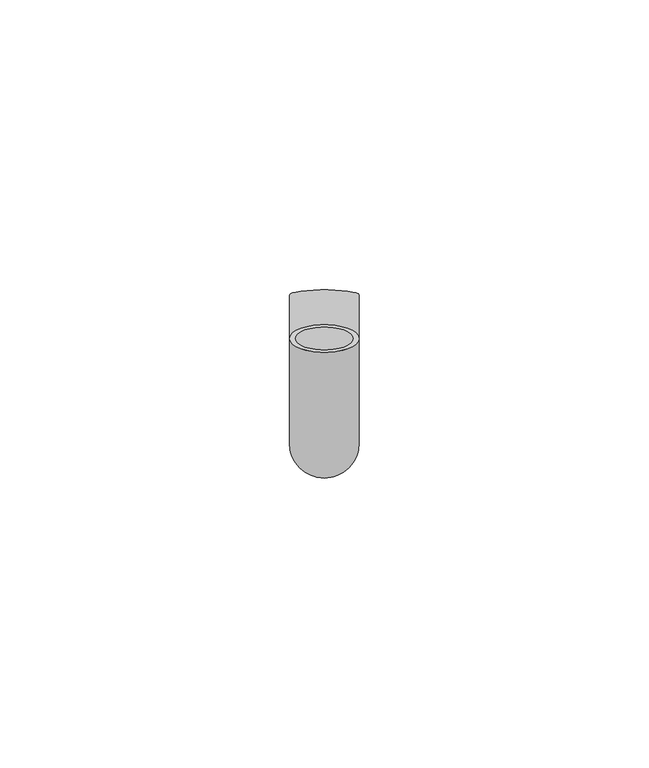
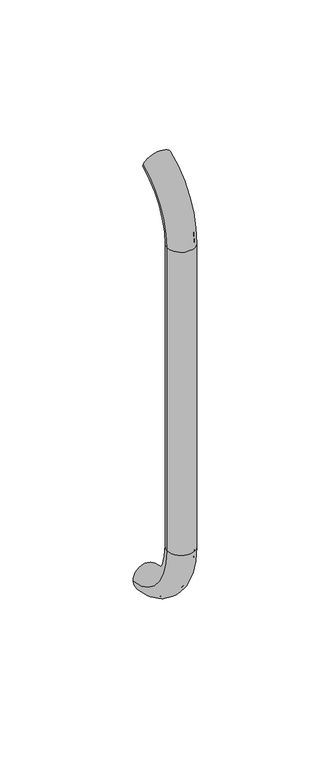
"""IFC4 building model written with IfcOpenShell, lengths in millimetres: beam geometry."""

import ifcopenshell
import ifcopenshell.guid

model = None  # the IFC model being written
_history = None  # IfcOwnerHistory: only IFC2X3 demands one
_inside = {}  # id of a spatial element -> (the spatial element, [elements in it])
_under = {}  # id of a project, library or spatial element -> (it, [spatial elements below it])
_declared = {}  # id of a project -> (the project, [libraries it declares])
_typed = {}  # id of a type object -> (the type object, [elements of that type])
_made_of = {}  # id of a material, layer set ... -> (it, [elements and type objects made of it])


def new_model(schema):
    """Start an empty IFC model of exactly this schema.

    Asked for "IFC4X3", IfcOpenShell would pick the latest addendum, in which some entities
    have other attributes; the version numbers below select the first issue.
    IFC2X3 requires an IfcOwnerHistory on every rooted entity: one is made here for all.
    """
    global model, _history
    if schema == "IFC4X3":
        model = ifcopenshell.file(schema_version=(4, 3, 0, 0))
    else:
        model = ifcopenshell.file(schema=schema)
    _inside.clear()
    _under.clear()
    _declared.clear()
    _typed.clear()
    _made_of.clear()
    _history = None
    if model.schema == "IFC2X3":
        org = make("IfcOrganization", Name="unknown")
        user = make(
            "IfcPersonAndOrganization",
            ThePerson=make("IfcPerson", FamilyName="unknown"),
            TheOrganization=org,
        )
        app = make(
            "IfcApplication",
            ApplicationDeveloper=org,
            Version="unknown",
            ApplicationFullName="unknown",
            ApplicationIdentifier="unknown",
        )
        _history = make(
            "IfcOwnerHistory",
            OwningUser=user,
            OwningApplication=app,
            ChangeAction="ADDED",
            CreationDate=0,
        )
    return model


def make(cls, **values):
    """One entity of the class cls with the attributes given. An attribute that is None is left unset."""
    return model.create_entity(
        cls, **{name: value for name, value in values.items() if value is not None}
    )


def rooted(cls, **values):
    """An entity with a GlobalId (a new one), such as an element, a storey or a relation."""
    return make(cls, GlobalId=ifcopenshell.guid.new(), OwnerHistory=_history, **values)


def si_unit(unit_type, name, prefix=None):
    """IfcSIUnit, for example si_unit("LENGTHUNIT", "METRE", prefix="MILLI")."""
    return make("IfcSIUnit", UnitType=unit_type, Prefix=prefix, Name=name)


def assignment(units):
    """IfcUnitAssignment: the units of a project."""
    return None if units is None else make("IfcUnitAssignment", Units=units)


def point(xyz):
    """IfcCartesianPoint."""
    return None if xyz is None else make("IfcCartesianPoint", Coordinates=xyz)


def direction(xyz):
    """IfcDirection."""
    return None if xyz is None else make("IfcDirection", DirectionRatios=xyz)


def frame(location, z_axis=None, x_axis=None):
    """IfcAxis2Placement3D, a coordinate frame: its origin and axes. An axis left out is left unset."""
    return make(
        "IfcAxis2Placement3D",
        Location=point(location),
        Axis=direction(z_axis),
        RefDirection=direction(x_axis),
    )


def origin():
    """The frame at (0, 0, 0) with its axes left unset."""
    return frame((0.0, 0.0, 0.0))


def place(relative_to, where):
    """IfcLocalPlacement: puts the frame where relative to a parent placement (None: the world)."""
    return make(
        "IfcLocalPlacement", PlacementRelTo=relative_to, RelativePlacement=where
    )


def context(
    kind, dimensions, precision=None, world=None, true_north=None, identifier=None
):
    """IfcGeometricRepresentationContext, for example the 3D "Model" context."""
    return make(
        "IfcGeometricRepresentationContext",
        ContextIdentifier=identifier,
        ContextType=kind,
        CoordinateSpaceDimension=dimensions,
        Precision=precision,
        WorldCoordinateSystem=world,
        TrueNorth=true_north,
    )


def project(units=None, contexts=None):
    """IfcProject with its units and contexts."""
    return rooted(
        "IfcProject",
        Name="project",
        RepresentationContexts=contexts,
        UnitsInContext=assignment(units),
    )


def spatial(cls, under=None, at=None, **own):
    """A site, building, storey or space (cls), placed at a placement, below another one or the project."""
    s = rooted(cls, ObjectPlacement=at, **own)
    if under is not None:
        _under.setdefault(under.id(), (under, []))[1].append(s)
    return s


def polyline(points):
    """IfcPolyline through the points."""
    return make("IfcPolyline", Points=[point(p) for p in points])


def circle_curve(where, radius):
    """IfcCircle in the frame where."""
    return make("IfcCircle", Position=where, Radius=radius)


def ellipse_curve(where, semi_axis1, semi_axis2):
    """IfcEllipse in the frame where."""
    return make(
        "IfcEllipse", Position=where, SemiAxis1=semi_axis1, SemiAxis2=semi_axis2
    )


def trimmed(basis, trim1, trim2, sense, master):
    """IfcTrimmedCurve: the piece of a basis curve between two trims."""
    return make(
        "IfcTrimmedCurve",
        BasisCurve=basis,
        Trim1=trim1,
        Trim2=trim2,
        SenseAgreement=sense,
        MasterRepresentation=master,
    )


def shape(context_of_items, identifier, shape_type, items):
    """IfcShapeRepresentation: the items that make up one representation, for example the "Body"."""
    return make(
        "IfcShapeRepresentation",
        ContextOfItems=context_of_items,
        RepresentationIdentifier=identifier,
        RepresentationType=shape_type,
        Items=items,
    )


def source(mapping_origin, context_of_items, identifier, shape_type, items):
    """IfcRepresentationMap: a shape defined once, which mapped items show again and again."""
    return make(
        "IfcRepresentationMap",
        MappingOrigin=mapping_origin,
        MappedRepresentation=shape(context_of_items, identifier, shape_type, items),
    )


def transform(
    local_origin,
    x_axis=None,
    y_axis=None,
    z_axis=None,
    scale=None,
    scale2=None,
    scale3=None,
    uniform=True,
):
    """IfcCartesianTransformationOperator3D, or its non-uniform kind. x_axis, y_axis, z_axis: its Axis1, 2, 3."""
    if uniform:
        return make(
            "IfcCartesianTransformationOperator3D",
            Axis1=direction(x_axis),
            Axis2=direction(y_axis),
            LocalOrigin=point(local_origin),
            Scale=scale,
            Axis3=direction(z_axis),
        )
    return make(
        "IfcCartesianTransformationOperator3DnonUniform",
        Axis1=direction(x_axis),
        Axis2=direction(y_axis),
        LocalOrigin=point(local_origin),
        Scale=scale,
        Axis3=direction(z_axis),
        Scale2=scale2,
        Scale3=scale3,
    )


def mapped(mapping_source, mapping_target):
    """IfcMappedItem: shows the shape of a source again, moved by a transform."""
    return make(
        "IfcMappedItem", MappingSource=mapping_source, MappingTarget=mapping_target
    )


def made_of(thing, what):
    """Note that an element or type object is made of a material, layer set ...; save() writes the relation."""
    if what is not None:
        _made_of.setdefault(what.id(), (what, []))[1].append(thing)
    return thing


def element(
    cls,
    number,
    at=None,
    inside=None,
    cuts=None,
    type_object=None,
    material=None,
    context=None,
    identifier="Body",
    shape_type=None,
    held_by="IfcProductDefinitionShape",
    body=None,
    shapes=None,
    **own,
):
    """One element of the class cls, such as IfcWall. Its Tag is "e" and its number.

    at: its placement. inside: the storey or other place that contains it. cuts: it is an
    opening in that element (IfcRelVoidsElement). A single representation is given by context,
    identifier, shape_type and body (its items); several are given by shapes. held_by: the class
    of the entity that holds the representations. save() writes the other relations.
    """
    e = rooted(cls, Tag="e%d" % number, ObjectPlacement=at, **own)
    if body is not None:
        shapes = [shape(context, identifier, shape_type, body)]
    if shapes is not None:
        e.Representation = make(held_by, Representations=shapes)
    if inside is not None:
        _inside.setdefault(inside.id(), (inside, []))[1].append(e)
    if cuts is not None:
        rooted(
            "IfcRelVoidsElement", RelatingBuildingElement=cuts, RelatedOpeningElement=e
        )
    if type_object is not None:
        _typed.setdefault(type_object.id(), (type_object, []))[1].append(e)
    return made_of(e, material)


def aggregate(whole, parts):
    """IfcRelAggregates: a whole, such as a stair, and the parts it consists of."""
    return rooted("IfcRelAggregates", RelatingObject=whole, RelatedObjects=parts)


def save(model, path):
    """Write the relations noted so far, then the file.

    IfcRelAggregates (storeys below a building ...), IfcRelContainedInSpatialStructure (elements
    in a storey), IfcRelDefinesByType, IfcRelAssociatesMaterial and IfcRelDeclares: one each for
    every whole, place, type object, material and project.
    """
    for whole, parts in _under.values():
        aggregate(whole, parts)
    for where, things in _inside.values():
        rooted(
            "IfcRelContainedInSpatialStructure",
            RelatedElements=things,
            RelatingStructure=where,
        )
    for kind, things in _typed.values():
        rooted("IfcRelDefinesByType", RelatedObjects=things, RelatingType=kind)
    for what, things in _made_of.values():
        rooted("IfcRelAssociatesMaterial", RelatedObjects=things, RelatingMaterial=what)
    for by, libraries in _declared.values():
        rooted("IfcRelDeclares", RelatingContext=by, RelatedDefinitions=libraries)
    model.write(path)


def plane_surface(at):
    """IfcPlane: the flat surface through the origin of the frame at, square to its z axis."""
    return make("IfcPlane", Position=at)


def cylinder_surface(at, radius):
    """IfcCylindricalSurface: all points at the distance radius from the z axis of the frame at."""
    return make("IfcCylindricalSurface", Position=at, Radius=radius)


def revolved_surface(curve, axis_point, axis_direction):
    """IfcSurfaceOfRevolution: the curve turned about the line through axis_point along axis_direction."""
    return make(
        "IfcSurfaceOfRevolution",
        SweptCurve=make("IfcArbitraryOpenProfileDef", ProfileType="CURVE", Curve=curve),
        AxisPosition=make("IfcAxis1Placement", Location=point(axis_point), Axis=direction(axis_direction)),
    )


def advanced_brep(points, edges, surfaces, faces):
    """IfcAdvancedBrep: a solid bounded by faces that lie on surfaces and meet in shared edges.

    An edge is (start, end): straight between two places in points (the first is 0);
    or (start, end, curve); or (start, end, curve, False) where it runs against its curve.
    A face is (place in surfaces, loops), or (place, loops, False) where it looks against
    its surface's normal. A loop lists edges by number (the first is 1), with a minus sign
    where the edge is run from its end to its start. The first loop is the outer one.
    """
    corners = [point(p) for p in points]
    vertices = [make("IfcVertexPoint", VertexGeometry=c) for c in corners]
    made = []
    for start, end, *more in edges:
        made.append(
            make(
                "IfcEdgeCurve",
                EdgeStart=vertices[start],
                EdgeEnd=vertices[end],
                EdgeGeometry=more[0] if more else make("IfcPolyline", Points=[corners[start], corners[end]]),
                SameSense=more[1] if len(more) > 1 else True,
            )
        )
    hull = []
    for where, loops, *sense in faces:
        bounds = []
        for j, loop in enumerate(loops):
            ring = [make("IfcOrientedEdge", EdgeElement=made[abs(k) - 1], Orientation=k > 0) for k in loop]
            bounds.append(
                make(
                    "IfcFaceOuterBound" if j == 0 else "IfcFaceBound",
                    Bound=make("IfcEdgeLoop", EdgeList=ring),
                    Orientation=True,
                )
            )
        hull.append(make("IfcAdvancedFace", Bounds=bounds, FaceSurface=surfaces[where], SameSense=sense[0] if sense else True))
    return make("IfcAdvancedBrep", Outer=make("IfcClosedShell", CfsFaces=hull))


def beam_b9b56189(model_context):
    return source(origin(), model_context, "Body", "AdvancedBrep", [
        advanced_brep(
        [(5261.4386176, 2444.0395554, 1993.7787656), (5273.4386176, 2444.0395554, 1993.7787656), (5262.4386176, 2444.0395554, 1993.7787656), (5272.4386176, 2444.0395554, 1993.7787656), (5272.4386176, 2425.9629385, 1966.25), (5262.4386176, 2425.9629385, 1966.25), (5273.4386176, 2425.9629385, 1966.25), (5261.4386176, 2425.9629385, 1966.25), (5262.4386176, 2425.9629385, 1826.25), (5272.4386176, 2425.9629385, 1826.25), (5261.4386176, 2425.9629385, 1826.25), (5273.4386176, 2425.9629385, 1826.25), (5261.4386176, 2451.5825147, 1796.5715249), (5273.4386176, 2451.5825147, 1796.5715249), (5262.4386176, 2451.5825147, 1796.5715249), (5272.4386176, 2451.5825147, 1796.5715249)],
        [
            (0, 1, circle_curve(frame((5267.4386176, 2444.0395554, 1993.7787656), z_axis=(0.0, 0.9176255197351176, 0.3974461039321624), x_axis=(1.0, 0.0, 0.0)), 6.0)),
            (1, 0, circle_curve(frame((5267.4386176, 2444.0395554, 1993.7787656), z_axis=(0.0, 0.9176255197351176, 0.3974461039321624), x_axis=(1.0, 0.0, 0.0)), 6.0)),
            (2, 3, circle_curve(frame((5267.4386176, 2444.0395554, 1993.7787656), z_axis=(0.0, -0.9176255197351176, -0.3974461039321624), x_axis=(1.0, 0.0, 0.0)), 5.0)),
            (3, 2, circle_curve(frame((5267.4386176, 2444.0395554, 1993.7787656), z_axis=(0.0, -0.9176255197351176, -0.3974461039321624), x_axis=(1.0, 0.0, 0.0)), 5.0)),
            (4, 3, circle_curve(frame((5272.4386176, 2455.9629385, 1966.25), z_axis=(-1.0, 0.0, 0.0), x_axis=(0.0, -0.3974461039321624, 0.9176255197351176)), 30.0)),
            (2, 5, circle_curve(frame((5262.4386176, 2455.9629385, 1966.25), z_axis=(1.0, 0.0, 0.0), x_axis=(0.0, -0.3974461039321624, 0.9176255197351176)), 30.0)),
            (5, 4, circle_curve(frame((5267.4386176, 2425.9629385, 1966.25), z_axis=(0.0, 0.0, -1.0), x_axis=(1.0, 0.0, 0.0)), 5.0)),
            (4, 5, circle_curve(frame((5267.4386176, 2425.9629385, 1966.25), z_axis=(0.0, 0.0, -1.0), x_axis=(1.0, 0.0, 0.0)), 5.0)),
            (6, 1, circle_curve(frame((5273.4386176, 2455.9629385, 1966.25), z_axis=(-1.0, 0.0, 0.0), x_axis=(0.0, -0.3974461039321624, 0.9176255197351176)), 30.0)),
            (0, 7, circle_curve(frame((5261.4386176, 2455.9629385, 1966.25), z_axis=(1.0, 0.0, 0.0), x_axis=(0.0, -0.3974461039321624, 0.9176255197351176)), 30.0)),
            (7, 6, circle_curve(frame((5267.4386176, 2425.9629385, 1966.25), z_axis=(0.0, 0.0, 1.0), x_axis=(1.0, 0.0, 0.0)), 6.0)),
            (6, 7, circle_curve(frame((5267.4386176, 2425.9629385, 1966.25), z_axis=(0.0, 0.0, 1.0), x_axis=(1.0, 0.0, 0.0)), 6.0)),
            (5, 8),
            (8, 9, circle_curve(frame((5267.4386176, 2425.9629385, 1826.25), z_axis=(0.0, 0.0, -1.0), x_axis=(1.0, 0.0, 0.0)), 5.0)),
            (9, 4),
            (9, 8, circle_curve(frame((5267.4386176, 2425.9629385, 1826.25), z_axis=(0.0, 0.0, -1.0), x_axis=(1.0, 0.0, 0.0)), 5.0)),
            (7, 10),
            (10, 11, circle_curve(frame((5267.4386176, 2425.9629385, 1826.25), z_axis=(0.0, 0.0, 1.0), x_axis=(1.0, 0.0, 0.0)), 6.0)),
            (11, 6),
            (11, 10, circle_curve(frame((5267.4386176, 2425.9629385, 1826.25), z_axis=(0.0, 0.0, 1.0), x_axis=(1.0, 0.0, 0.0)), 6.0)),
            (12, 13, circle_curve(frame((5267.4386176, 2451.5825147, 1796.5715249), z_axis=(0.0, 0.9892825047438852, -0.14601412879466394), x_axis=(1.0, 0.0, 0.0)), 6.0)),
            (13, 12, circle_curve(frame((5267.4386176, 2451.5825147, 1796.5715249), z_axis=(0.0, 0.9892825047438852, -0.14601412879466394), x_axis=(1.0, 0.0, 0.0)), 6.0)),
            (14, 15, circle_curve(frame((5267.4386176, 2451.5825147, 1796.5715249), z_axis=(0.0, -0.9892825047438852, 0.14601412879466394), x_axis=(1.0, 0.0, 0.0)), 5.0)),
            (15, 14, circle_curve(frame((5267.4386176, 2451.5825147, 1796.5715249), z_axis=(0.0, -0.9892825047438852, 0.14601412879466394), x_axis=(1.0, 0.0, 0.0)), 5.0)),
            (15, 9, circle_curve(frame((5272.4386176, 2455.9629385, 1826.25), z_axis=(-1.0, 0.0, 0.0), x_axis=(0.0, -1.0, 0.0)), 30.0)),
            (8, 14, circle_curve(frame((5262.4386176, 2455.9629385, 1826.25), z_axis=(1.0, 0.0, 0.0), x_axis=(0.0, -1.0, 0.0)), 30.0)),
            (13, 11, circle_curve(frame((5273.4386176, 2455.9629385, 1826.25), z_axis=(-1.0, 0.0, 0.0), x_axis=(0.0, -1.0, 0.0)), 30.0)),
            (10, 12, circle_curve(frame((5261.4386176, 2455.9629385, 1826.25), z_axis=(1.0, 0.0, 0.0), x_axis=(0.0, -1.0, 0.0)), 30.0)),
        ],
        [
            plane_surface(frame((5267.4386176, 2444.0395554, 1993.7787656), z_axis=(0.0, 0.9176255197351176, 0.3974461039321624), x_axis=(1.0, 0.0, 0.0))),
            revolved_surface(trimmed(ellipse_curve(frame((5267.4386176, 2444.0395554, 1993.7787656), z_axis=(0.0, -0.9176255197351176, -0.3974461039321624), x_axis=(1.0, 0.0, 0.0)), 5.0, 5.0), [point((5262.4386176, 2444.0395554, 1993.7787656))], [point((5272.4386176, 2444.0395554, 1993.7787656))], True, "CARTESIAN"), (5267.4386176, 2455.9629385, 1966.25), (1.0, 0.0, 0.0)),
            revolved_surface(trimmed(ellipse_curve(frame((5267.4386176, 2444.0395554, 1993.7787656), z_axis=(0.0, -0.9176255197351176, -0.3974461039321624), x_axis=(1.0, 0.0, 0.0)), 5.0, 5.0), [point((5272.4386176, 2444.0395554, 1993.7787656))], [point((5262.4386176, 2444.0395554, 1993.7787656))], True, "CARTESIAN"), (5267.4386176, 2455.9629385, 1966.25), (1.0, 0.0, 0.0)),
            revolved_surface(trimmed(ellipse_curve(frame((5267.4386176, 2444.0395554, 1993.7787656), z_axis=(0.0, 0.9176255197351176, 0.3974461039321624), x_axis=(1.0, 0.0, 0.0)), 6.0, 6.0), [point((5261.4386176, 2444.0395554, 1993.7787656))], [point((5273.4386176, 2444.0395554, 1993.7787656))], True, "CARTESIAN"), (5267.4386176, 2455.9629385, 1966.25), (1.0, 0.0, 0.0)),
            revolved_surface(trimmed(ellipse_curve(frame((5267.4386176, 2444.0395554, 1993.7787656), z_axis=(0.0, 0.9176255197351176, 0.3974461039321624), x_axis=(1.0, 0.0, 0.0)), 6.0, 6.0), [point((5273.4386176, 2444.0395554, 1993.7787656))], [point((5261.4386176, 2444.0395554, 1993.7787656))], True, "CARTESIAN"), (5267.4386176, 2455.9629385, 1966.25), (1.0, 0.0, 0.0)),
            revolved_surface(polyline([(5272.4386176, 2425.9629385, 1826.25), (5272.4386176, 2425.9629385, 1966.25)]), (5267.4386176, 2425.9629385, 1966.25), (0.0, 0.0, -1.0)),
            cylinder_surface(frame((5267.4386176, 2425.9629385, 1966.25), z_axis=(0.0, 0.0, 1.0), x_axis=(1.0, 0.0, 0.0)), 6.0),
            plane_surface(frame((5267.4386176, 2451.5825147, 1796.5715249), z_axis=(0.0, 0.9892825047438852, -0.14601412879466397), x_axis=(1.0, 0.0, 0.0))),
            revolved_surface(trimmed(ellipse_curve(frame((5267.4386176, 2425.9629385, 1826.25), z_axis=(0.0, 0.0, -1.0), x_axis=(1.0, 0.0, 0.0)), 5.0, 5.0), [point((5262.4386176, 2425.9629385, 1826.25))], [point((5272.4386176, 2425.9629385, 1826.25))], True, "CARTESIAN"), (5267.4386176, 2455.9629385, 1826.25), (1.0, 0.0, 0.0)),
            revolved_surface(trimmed(ellipse_curve(frame((5267.4386176, 2425.9629385, 1826.25), z_axis=(0.0, 0.0, -1.0), x_axis=(1.0, 0.0, 0.0)), 5.0, 5.0), [point((5272.4386176, 2425.9629385, 1826.25))], [point((5262.4386176, 2425.9629385, 1826.25))], True, "CARTESIAN"), (5267.4386176, 2455.9629385, 1826.25), (1.0, 0.0, 0.0)),
            revolved_surface(trimmed(ellipse_curve(frame((5267.4386176, 2425.9629385, 1826.25), z_axis=(0.0, 0.0, 1.0), x_axis=(1.0, 0.0, 0.0)), 6.0, 6.0), [point((5261.4386176, 2425.9629385, 1826.25))], [point((5273.4386176, 2425.9629385, 1826.25))], True, "CARTESIAN"), (5267.4386176, 2455.9629385, 1826.25), (1.0, 0.0, 0.0)),
            revolved_surface(trimmed(ellipse_curve(frame((5267.4386176, 2425.9629385, 1826.25), z_axis=(0.0, 0.0, 1.0), x_axis=(1.0, 0.0, 0.0)), 6.0, 6.0), [point((5273.4386176, 2425.9629385, 1826.25))], [point((5261.4386176, 2425.9629385, 1826.25))], True, "CARTESIAN"), (5267.4386176, 2455.9629385, 1826.25), (1.0, 0.0, 0.0)),
        ],
        [
            (0, [[1, 2], [3, 4]]),
            (1, [[5, -3, 6, 7]]),
            (2, [[-6, -4, -5, 8]]),
            (3, [[9, -1, 10, 11]]),
            (4, [[-10, -2, -9, 12]]),
            (5, [[-7, 13, 14, 15]]),
            (5, [[-8, -15, 16, -13]]),
            (6, [[-11, 17, 18, 19]]),
            (6, [[-12, -19, 20, -17]]),
            (7, [[21, 22], [23, 24]]),
            (8, [[25, -14, 26, -24]]),
            (9, [[-26, -16, -25, -23]]),
            (10, [[27, -18, 28, -22]]),
            (11, [[-28, -20, -27, -21]]),
        ],
    ),
    ])


if __name__ == "__main__":
    model = new_model("IFC4")
    model_context = context("Model", 3, world=origin())
    ifc_project = project(units=[si_unit("LENGTHUNIT", "METRE", prefix="MILLI")], contexts=[model_context])
    site = spatial("IfcSite", under=ifc_project)
    building = spatial("IfcBuilding", under=site)
    placement = place(None, origin())
    beam_shape = beam_b9b56189(model_context)
    element("IfcBeam", 1, at=placement, inside=building, context=model_context, shape_type="MappedRepresentation", body=[
        mapped(beam_shape, transform((0.0, 0.0, 0.0), x_axis=(1.0, 0.0, 0.0), y_axis=(0.0, 1.0, 0.0), z_axis=(0.0, 0.0, 1.0))),
    ])
    save(model, "model.ifc")
